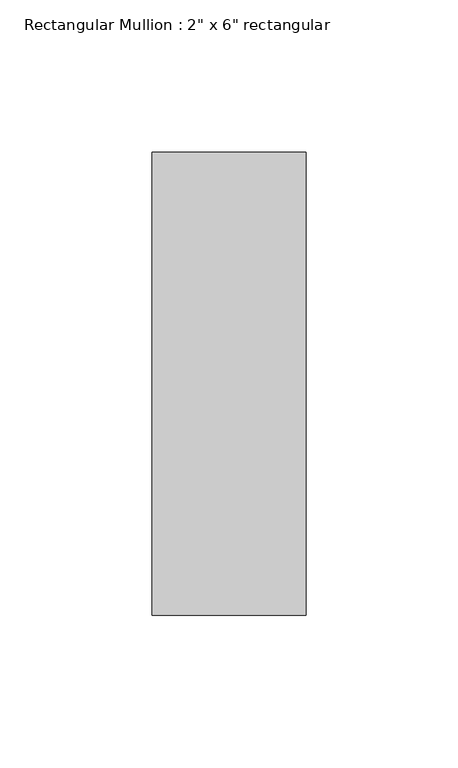
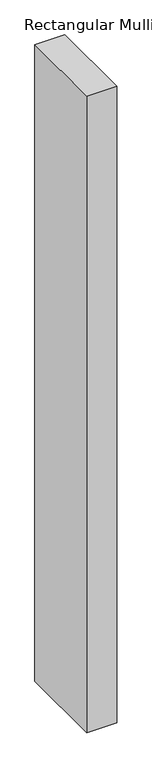
"""IFC4 building model written with IfcOpenShell, lengths in millimetres: member geometry."""

from ifc_helpers import new_model, si_unit, frame, origin, place, context, project, spatial, polyline, outline, extrude, source, transform, mapped, element, save


def member_efb56003(model_context):
    return source(origin(), model_context, "Body", "SweptSolid", [
        extrude(outline(polyline([(0.0, 76.2), (0.0, -76.2), (-50.8, -76.2), (-50.8, 76.2), (0.0, 76.2)])), frame((0.0, 0.0, -1143.0), z_axis=(0.0, 0.0, 1.0), x_axis=(1.0, 0.0, 0.0)), (0.0, 0.0, 1.0), 1143.0),
    ])


if __name__ == "__main__":
    model = new_model("IFC4")
    model_context = context("Model", 3, world=origin())
    ifc_project = project(units=[si_unit("LENGTHUNIT", "METRE", prefix="MILLI")], contexts=[model_context])
    site = spatial("IfcSite", under=ifc_project)
    building = spatial("IfcBuilding", under=site)
    placement = place(None, origin())
    member_shape = member_efb56003(model_context)
    element("IfcMember", 1, ObjectType="Rectangular Mullion : 2\" x 6\" rectangular", at=placement, inside=building, context=model_context, shape_type="MappedRepresentation", body=[
        mapped(member_shape, transform((0.0, 0.0, 0.0), x_axis=(1.0, 0.0, 0.0), y_axis=(0.0, 1.0, 0.0), z_axis=(0.0, 0.0, 1.0))),
    ])
    save(model, "model.ifc")
